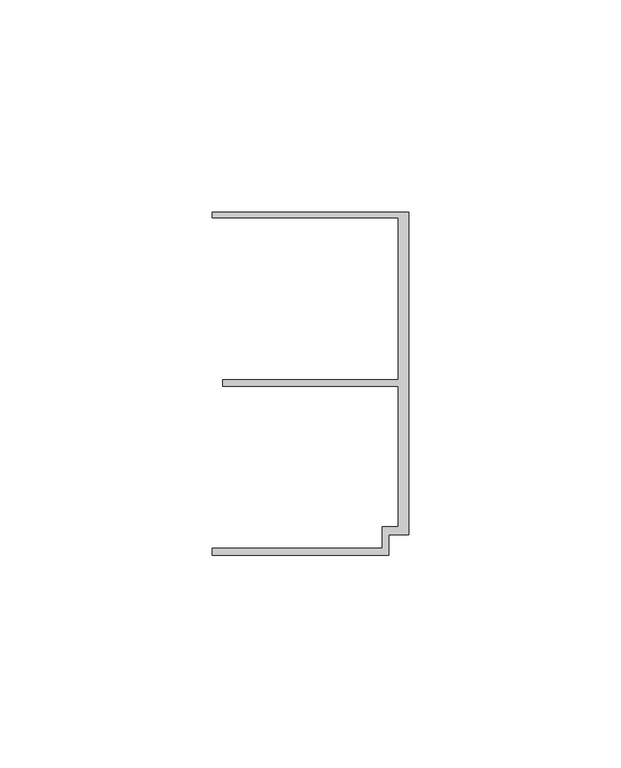
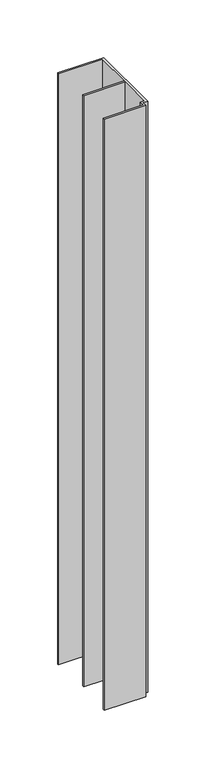
"""IFC4 building model written with IfcOpenShell, lengths in millimetres: member geometry."""

from ifc_helpers import new_model, si_unit, frame, origin, place, context, project, spatial, polyline, outline, extrude, source, transform, mapped, element, save


def member_681b809c(model_context):
    return source(origin(), model_context, "Body", "SweptSolid", [
        extrude(outline(polyline([(-6.2, -33.95), (-2.4, -33.95), (-2.4, -0.75), (-43.8, -0.75), (-43.8, 0.75), (-2.4, 0.75), (-2.4, 38.95), (-46.3, 38.95), (-46.3, 40.25), (0.0, 40.25), (0.0, -35.75), (-4.6999992, -35.75), (-4.6999992, -40.65), (-46.3, -40.65), (-46.3, -38.95), (-6.2, -38.95), (-6.2, -33.95)])), frame((0.0, 0.0, -626.5594583), z_axis=(0.0, 0.0, 1.0), x_axis=(1.0, 0.0, 0.0)), (0.0, 0.0, 1.0), 626.5594583),
    ])


if __name__ == "__main__":
    model = new_model("IFC4")
    model_context = context("Model", 3, world=origin())
    ifc_project = project(units=[si_unit("LENGTHUNIT", "METRE", prefix="MILLI")], contexts=[model_context])
    site = spatial("IfcSite", under=ifc_project)
    building = spatial("IfcBuilding", under=site)
    placement = place(None, origin())
    member_shape = member_681b809c(model_context)
    element("IfcMember", 1, at=placement, inside=building, context=model_context, shape_type="MappedRepresentation", body=[
        mapped(member_shape, transform((0.0, 0.0, 0.0), x_axis=(1.0, 0.0, 0.0), y_axis=(0.0, 1.0, 0.0), z_axis=(0.0, 0.0, 1.0))),
    ])
    save(model, "model.ifc")
